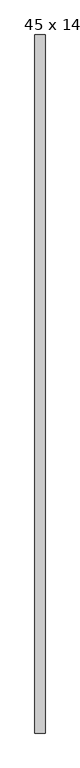
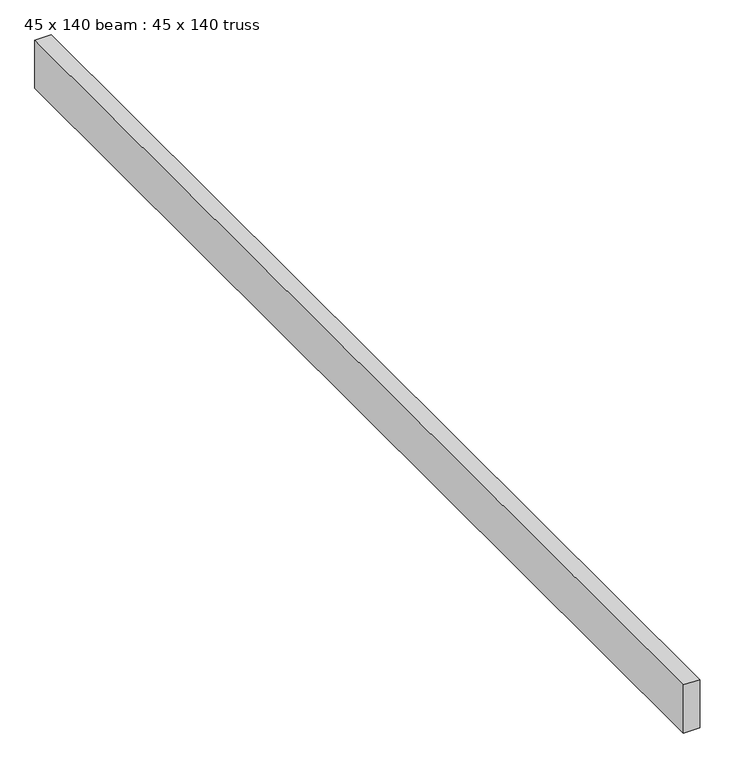
"""IFC4 building model written with IfcOpenShell, lengths in millimetres: proxy geometry, 45 x 140 beam : 45 x 140 truss."""

from ifc_helpers import new_model, si_unit, frame, origin, place, context, project, spatial, polyline, outline, extrude, source, transform, mapped, element, save


def proxy_45_x_140_beam_45_x_140_truss_684d75db(model_context):
    return source(origin(), model_context, "Body", "SweptSolid", [
        extrude(outline(polyline([(-11590.4039486, -1334.6714866), (-11635.4039486, -1334.6714866), (-11635.4039486, 1755.3285134), (-11590.4039486, 1755.3285134), (-11590.4039486, -1334.6714866)])), frame((0.0, 0.0, 3644.2452806), z_axis=(0.0, 0.0, 1.0), x_axis=(1.0, 0.0, 0.0)), (0.0, 0.0, 1.0), 140.0),
    ])


if __name__ == "__main__":
    model = new_model("IFC4")
    model_context = context("Model", 3, world=origin())
    ifc_project = project(units=[si_unit("LENGTHUNIT", "METRE", prefix="MILLI")], contexts=[model_context])
    site = spatial("IfcSite", under=ifc_project)
    building = spatial("IfcBuilding", under=site)
    placement = place(None, origin())
    proxy_45_x_140_beam_45_x_140_truss_shape = proxy_45_x_140_beam_45_x_140_truss_684d75db(model_context)
    element("IfcBuildingElementProxy", 1, Name="45 x 140 beam : 45 x 140 truss", ObjectType="45 x 140 beam : 45 x 140 truss", at=placement, inside=building, context=model_context, shape_type="MappedRepresentation", body=[
        mapped(proxy_45_x_140_beam_45_x_140_truss_shape, transform((0.0, 0.0, 0.0), x_axis=(1.0, 0.0, 0.0), y_axis=(0.0, 1.0, 0.0), z_axis=(0.0, 0.0, 1.0))),
    ])
    save(model, "model.ifc")
